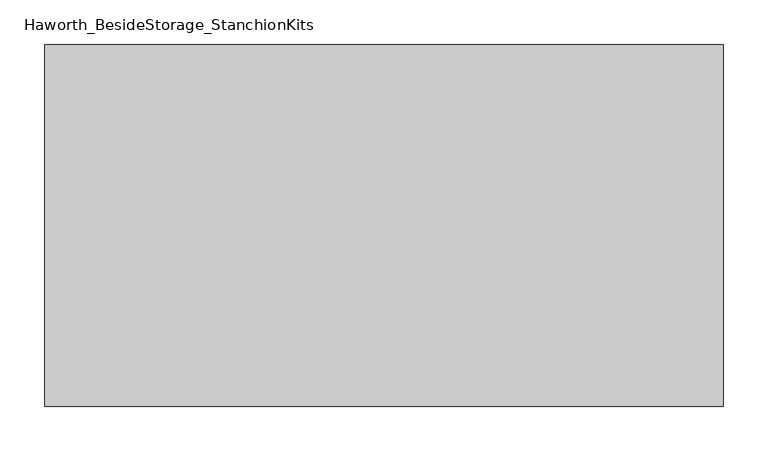
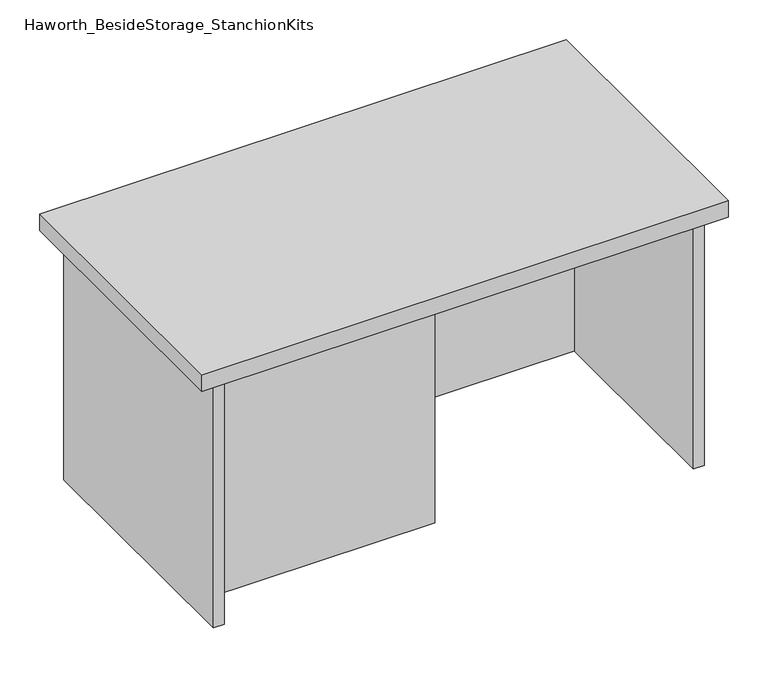
"""IFC4 building model written with IfcOpenShell, lengths in millimetres: furniture geometry, Haworth_BesideStorage_StanchionKits."""

import ifcopenshell
import ifcopenshell.guid

model = None  # the IFC model being written
_history = None  # IfcOwnerHistory: only IFC2X3 demands one
_inside = {}  # id of a spatial element -> (the spatial element, [elements in it])
_under = {}  # id of a project, library or spatial element -> (it, [spatial elements below it])
_declared = {}  # id of a project -> (the project, [libraries it declares])
_typed = {}  # id of a type object -> (the type object, [elements of that type])
_made_of = {}  # id of a material, layer set ... -> (it, [elements and type objects made of it])


def new_model(schema):
    """Start an empty IFC model of exactly this schema.

    Asked for "IFC4X3", IfcOpenShell would pick the latest addendum, in which some entities
    have other attributes; the version numbers below select the first issue.
    IFC2X3 requires an IfcOwnerHistory on every rooted entity: one is made here for all.
    """
    global model, _history
    if schema == "IFC4X3":
        model = ifcopenshell.file(schema_version=(4, 3, 0, 0))
    else:
        model = ifcopenshell.file(schema=schema)
    _inside.clear()
    _under.clear()
    _declared.clear()
    _typed.clear()
    _made_of.clear()
    _history = None
    if model.schema == "IFC2X3":
        org = make("IfcOrganization", Name="unknown")
        user = make(
            "IfcPersonAndOrganization",
            ThePerson=make("IfcPerson", FamilyName="unknown"),
            TheOrganization=org,
        )
        app = make(
            "IfcApplication",
            ApplicationDeveloper=org,
            Version="unknown",
            ApplicationFullName="unknown",
            ApplicationIdentifier="unknown",
        )
        _history = make(
            "IfcOwnerHistory",
            OwningUser=user,
            OwningApplication=app,
            ChangeAction="ADDED",
            CreationDate=0,
        )
    return model


def make(cls, **values):
    """One entity of the class cls with the attributes given. An attribute that is None is left unset."""
    return model.create_entity(
        cls, **{name: value for name, value in values.items() if value is not None}
    )


def rooted(cls, **values):
    """An entity with a GlobalId (a new one), such as an element, a storey or a relation."""
    return make(cls, GlobalId=ifcopenshell.guid.new(), OwnerHistory=_history, **values)


def si_unit(unit_type, name, prefix=None):
    """IfcSIUnit, for example si_unit("LENGTHUNIT", "METRE", prefix="MILLI")."""
    return make("IfcSIUnit", UnitType=unit_type, Prefix=prefix, Name=name)


def assignment(units):
    """IfcUnitAssignment: the units of a project."""
    return None if units is None else make("IfcUnitAssignment", Units=units)


def point(xyz):
    """IfcCartesianPoint."""
    return None if xyz is None else make("IfcCartesianPoint", Coordinates=xyz)


def direction(xyz):
    """IfcDirection."""
    return None if xyz is None else make("IfcDirection", DirectionRatios=xyz)


def frame(location, z_axis=None, x_axis=None):
    """IfcAxis2Placement3D, a coordinate frame: its origin and axes. An axis left out is left unset."""
    return make(
        "IfcAxis2Placement3D",
        Location=point(location),
        Axis=direction(z_axis),
        RefDirection=direction(x_axis),
    )


def origin():
    """The frame at (0, 0, 0) with its axes left unset."""
    return frame((0.0, 0.0, 0.0))


def place(relative_to, where):
    """IfcLocalPlacement: puts the frame where relative to a parent placement (None: the world)."""
    return make(
        "IfcLocalPlacement", PlacementRelTo=relative_to, RelativePlacement=where
    )


def context(
    kind, dimensions, precision=None, world=None, true_north=None, identifier=None
):
    """IfcGeometricRepresentationContext, for example the 3D "Model" context."""
    return make(
        "IfcGeometricRepresentationContext",
        ContextIdentifier=identifier,
        ContextType=kind,
        CoordinateSpaceDimension=dimensions,
        Precision=precision,
        WorldCoordinateSystem=world,
        TrueNorth=true_north,
    )


def project(units=None, contexts=None):
    """IfcProject with its units and contexts."""
    return rooted(
        "IfcProject",
        Name="project",
        RepresentationContexts=contexts,
        UnitsInContext=assignment(units),
    )


def spatial(cls, under=None, at=None, **own):
    """A site, building, storey or space (cls), placed at a placement, below another one or the project."""
    s = rooted(cls, ObjectPlacement=at, **own)
    if under is not None:
        _under.setdefault(under.id(), (under, []))[1].append(s)
    return s


def polyline(points):
    """IfcPolyline through the points."""
    return make("IfcPolyline", Points=[point(p) for p in points])


def outline(outer, holes=None, kind="AREA"):
    """IfcArbitraryClosedProfileDef: a profile drawn as a closed curve; with holes, ...WithVoids."""
    if holes is None:
        return make("IfcArbitraryClosedProfileDef", ProfileType=kind, OuterCurve=outer)
    return make(
        "IfcArbitraryProfileDefWithVoids",
        ProfileType=kind,
        OuterCurve=outer,
        InnerCurves=holes,
    )


def extrude(swept, where, along, depth):
    """IfcExtrudedAreaSolid: the profile swept, set in the frame where, extruded along a direction by depth."""
    return make(
        "IfcExtrudedAreaSolid",
        SweptArea=swept,
        Position=where,
        ExtrudedDirection=direction(along),
        Depth=depth,
    )


def shape(context_of_items, identifier, shape_type, items):
    """IfcShapeRepresentation: the items that make up one representation, for example the "Body"."""
    return make(
        "IfcShapeRepresentation",
        ContextOfItems=context_of_items,
        RepresentationIdentifier=identifier,
        RepresentationType=shape_type,
        Items=items,
    )


def source(mapping_origin, context_of_items, identifier, shape_type, items):
    """IfcRepresentationMap: a shape defined once, which mapped items show again and again."""
    return make(
        "IfcRepresentationMap",
        MappingOrigin=mapping_origin,
        MappedRepresentation=shape(context_of_items, identifier, shape_type, items),
    )


def transform(
    local_origin,
    x_axis=None,
    y_axis=None,
    z_axis=None,
    scale=None,
    scale2=None,
    scale3=None,
    uniform=True,
):
    """IfcCartesianTransformationOperator3D, or its non-uniform kind. x_axis, y_axis, z_axis: its Axis1, 2, 3."""
    if uniform:
        return make(
            "IfcCartesianTransformationOperator3D",
            Axis1=direction(x_axis),
            Axis2=direction(y_axis),
            LocalOrigin=point(local_origin),
            Scale=scale,
            Axis3=direction(z_axis),
        )
    return make(
        "IfcCartesianTransformationOperator3DnonUniform",
        Axis1=direction(x_axis),
        Axis2=direction(y_axis),
        LocalOrigin=point(local_origin),
        Scale=scale,
        Axis3=direction(z_axis),
        Scale2=scale2,
        Scale3=scale3,
    )


def mapped(mapping_source, mapping_target):
    """IfcMappedItem: shows the shape of a source again, moved by a transform."""
    return make(
        "IfcMappedItem", MappingSource=mapping_source, MappingTarget=mapping_target
    )


def made_of(thing, what):
    """Note that an element or type object is made of a material, layer set ...; save() writes the relation."""
    if what is not None:
        _made_of.setdefault(what.id(), (what, []))[1].append(thing)
    return thing


def element(
    cls,
    number,
    at=None,
    inside=None,
    cuts=None,
    type_object=None,
    material=None,
    context=None,
    identifier="Body",
    shape_type=None,
    held_by="IfcProductDefinitionShape",
    body=None,
    shapes=None,
    **own,
):
    """One element of the class cls, such as IfcWall. Its Tag is "e" and its number.

    at: its placement. inside: the storey or other place that contains it. cuts: it is an
    opening in that element (IfcRelVoidsElement). A single representation is given by context,
    identifier, shape_type and body (its items); several are given by shapes. held_by: the class
    of the entity that holds the representations. save() writes the other relations.
    """
    e = rooted(cls, Tag="e%d" % number, ObjectPlacement=at, **own)
    if body is not None:
        shapes = [shape(context, identifier, shape_type, body)]
    if shapes is not None:
        e.Representation = make(held_by, Representations=shapes)
    if inside is not None:
        _inside.setdefault(inside.id(), (inside, []))[1].append(e)
    if cuts is not None:
        rooted(
            "IfcRelVoidsElement", RelatingBuildingElement=cuts, RelatedOpeningElement=e
        )
    if type_object is not None:
        _typed.setdefault(type_object.id(), (type_object, []))[1].append(e)
    return made_of(e, material)


def aggregate(whole, parts):
    """IfcRelAggregates: a whole, such as a stair, and the parts it consists of."""
    return rooted("IfcRelAggregates", RelatingObject=whole, RelatedObjects=parts)


def save(model, path):
    """Write the relations noted so far, then the file.

    IfcRelAggregates (storeys below a building ...), IfcRelContainedInSpatialStructure (elements
    in a storey), IfcRelDefinesByType, IfcRelAssociatesMaterial and IfcRelDeclares: one each for
    every whole, place, type object, material and project.
    """
    for whole, parts in _under.values():
        aggregate(whole, parts)
    for where, things in _inside.values():
        rooted(
            "IfcRelContainedInSpatialStructure",
            RelatedElements=things,
            RelatingStructure=where,
        )
    for kind, things in _typed.values():
        rooted("IfcRelDefinesByType", RelatedObjects=things, RelatingType=kind)
    for what, things in _made_of.values():
        rooted("IfcRelAssociatesMaterial", RelatedObjects=things, RelatingMaterial=what)
    for by, libraries in _declared.values():
        rooted("IfcRelDeclares", RelatingContext=by, RelatedDefinitions=libraries)
    model.write(path)


def haworth_besidestorage_stanchionkits_36764543(model_context):
    return source(origin(), model_context, "Body", "SweptSolid", [
        extrude(outline(polyline([(542.925, 0.0), (542.925, -406.4), (-219.075, -406.4), (-219.075, 0.0), (542.925, 0.0)])), frame((0.0, 0.0, 812.8), z_axis=(0.0, 0.0, 1.0), x_axis=(1.0, 0.0, 0.0)), (0.0, 0.0, 1.0), 25.4),
        extrude(outline(polyline([(161.925, -76.2), (501.65, -76.2), (501.65, -92.075), (161.925, -92.075), (161.925, -76.2)])), frame((0.0, 0.0, 431.8), z_axis=(0.0, 0.0, 1.0), x_axis=(1.0, 0.0, 0.0)), (0.0, 0.0, 1.0), 381.0),
        extrude(outline(polyline([(161.925, -314.325), (161.925, -330.2), (-177.8, -330.2), (-177.8, -314.325), (161.925, -314.325)])), frame((0.0, 0.0, 431.8), z_axis=(0.0, 0.0, 1.0), x_axis=(1.0, 0.0, 0.0)), (0.0, 0.0, 1.0), 381.0),
        extrude(outline(polyline([(517.525, -390.525), (501.65, -390.525), (501.65, -15.875), (517.525, -15.875), (517.525, -390.525)])), frame((0.0, 0.0, 431.8), z_axis=(0.0, 0.0, 1.0), x_axis=(1.0, 0.0, 0.0)), (0.0, 0.0, 1.0), 381.0),
        extrude(outline(polyline([(-177.8, -390.525), (-193.675, -390.525), (-193.675, -15.875), (-177.8, -15.875), (-177.8, -390.525)])), frame((0.0, 0.0, 431.8), z_axis=(0.0, 0.0, 1.0), x_axis=(1.0, 0.0, 0.0)), (0.0, 0.0, 1.0), 381.0),
    ])


if __name__ == "__main__":
    model = new_model("IFC4")
    model_context = context("Model", 3, world=origin())
    ifc_project = project(units=[si_unit("LENGTHUNIT", "METRE", prefix="MILLI")], contexts=[model_context])
    site = spatial("IfcSite", under=ifc_project)
    building = spatial("IfcBuilding", under=site)
    placement = place(None, origin())
    haworth_besidestorage_stanchionkits_shape = haworth_besidestorage_stanchionkits_36764543(model_context)
    element("IfcFurniture", 1, ObjectType="Haworth_BesideStorage_StanchionKits", at=placement, inside=building, context=model_context, shape_type="MappedRepresentation", body=[
        mapped(haworth_besidestorage_stanchionkits_shape, transform((0.0, 0.0, 0.0), x_axis=(1.0, 0.0, 0.0), y_axis=(0.0, 1.0, 0.0), z_axis=(0.0, 0.0, 1.0))),
    ])
    save(model, "model.ifc")
